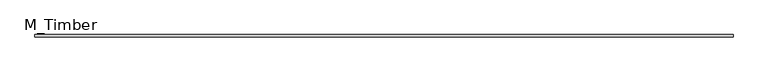
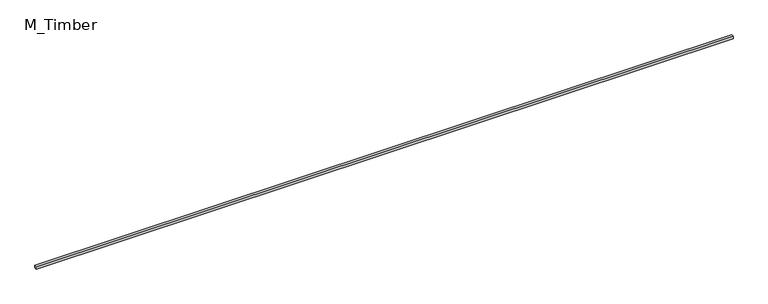
"""IFC4 building model written with IfcOpenShell, lengths in millimetres: beam geometry, M_Timber."""

from ifc_helpers import new_model, si_unit, frame, origin, place, context, project, spatial, polyline, outline, extrude, source, transform, mapped, element, save


def m_timber_e78c87ca(model_context):
    return source(origin(), model_context, "Body", "SweptSolid", [
        extrude(outline(polyline([(5454.3298538, 20.0), (5454.3298538, -20.0), (-5454.3298538, -20.0), (-5454.3298538, 20.0), (5454.3298538, 20.0)])), frame((0.0, 0.0, -20.0), z_axis=(0.0, 0.0, 1.0), x_axis=(1.0, 0.0, 0.0)), (0.0, 0.0, 1.0), 40.0),
    ])


if __name__ == "__main__":
    model = new_model("IFC4")
    model_context = context("Model", 3, world=origin())
    ifc_project = project(units=[si_unit("LENGTHUNIT", "METRE", prefix="MILLI")], contexts=[model_context])
    site = spatial("IfcSite", under=ifc_project)
    building = spatial("IfcBuilding", under=site)
    placement = place(None, origin())
    m_timber_shape = m_timber_e78c87ca(model_context)
    element("IfcBeam", 1, ObjectType="M_Timber", at=placement, inside=building, context=model_context, shape_type="MappedRepresentation", body=[
        mapped(m_timber_shape, transform((0.0, 0.0, 0.0), x_axis=(1.0, 0.0, 0.0), y_axis=(0.0, 1.0, 0.0), z_axis=(0.0, 0.0, 1.0))),
    ])
    save(model, "model.ifc")
